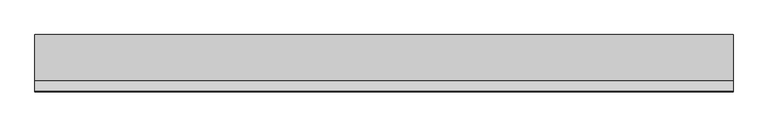
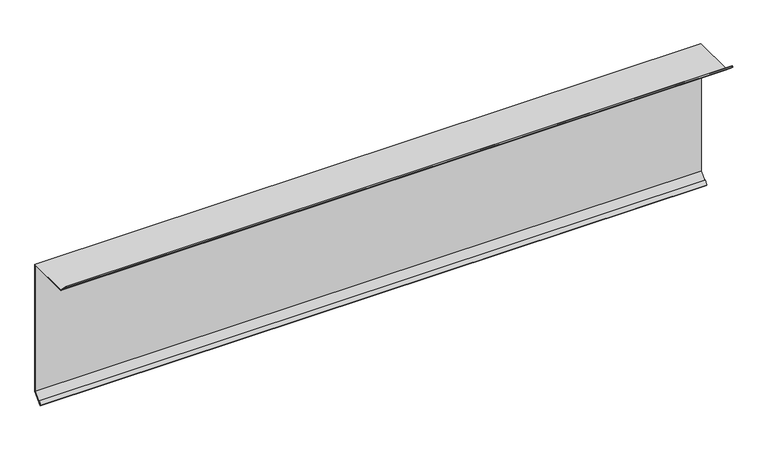
"""IFC4 building model written with IfcOpenShell, lengths in millimetres: proxy geometry."""

from ifc_helpers import new_model, si_unit, origin, place, context, project, spatial, faceted_brep, source, transform, mapped, element, save


def generic_models_a21d9fcc(model_context):
    return source(origin(), model_context, "Body", "Brep", [
        faceted_brep([(1500.0, 3.0, 0.0), (1500.0, 4.0, 0.0), (1500.0, 4.0, 3.0), (1500.0, -96.0, 3.0), (1500.0, -117.2132034, 24.2132034), (1500.0, -119.3345238, 22.0918831), (1500.0, -112.263456, 15.0208153), (1500.0, -111.5563492, 15.7279221), (1500.0, -117.9203102, 22.0918831), (1500.0, -117.2132034, 22.7989899), (1500.0, -96.4142136, 2.0), (1500.0, 3.0, 2.0), (1500.0, 3.0, -299.5857864), (1500.0, -17.2132034, -319.7989899), (1500.0, -17.9203102, -319.0918831), (1500.0, -11.5563492, -312.7279221), (1500.0, -12.263456, -312.0208153), (1500.0, -19.3345238, -319.0918831), (1500.0, -17.2132034, -321.2132034), (1500.0, 4.0, -300.0), (0.0, 4.0, 0.0), (0.0, 3.0, 0.0), (0.0, 3.0, 2.0), (0.0, -96.4142136, 2.0), (0.0, -117.2132034, 22.7989899), (0.0, -117.9203102, 22.0918831), (0.0, -111.5563492, 15.7279221), (0.0, -112.263456, 15.0208153), (0.0, -119.3345238, 22.0918831), (0.0, -117.2132034, 24.2132034), (0.0, -96.0, 3.0), (0.0, 4.0, 3.0), (0.0, 4.0, -300.0), (0.0, -17.2132034, -321.2132034), (0.0, -19.3345238, -319.0918831), (0.0, -12.263456, -312.0208153), (0.0, -11.5563492, -312.7279221), (0.0, -17.9203102, -319.0918831), (0.0, -17.2132034, -319.7989899), (0.0, 3.0, -299.5857864)], [[[0, 1, 2, 3, 4, 5, 6, 7, 8, 9, 10, 11]], [[1, 0, 12, 13, 14, 15, 16, 17, 18, 19]], [[20, 21, 22, 23, 24, 25, 26, 27, 28, 29, 30, 31]], [[21, 20, 32, 33, 34, 35, 36, 37, 38, 39]], [[4, 3, 30, 29]], [[3, 2, 31, 30]], [[11, 10, 23, 22]], [[10, 9, 24, 23]], [[9, 8, 25, 24]], [[8, 7, 26, 25]], [[7, 6, 27, 26]], [[6, 5, 28, 27]], [[5, 4, 29, 28]], [[2, 1, 19, 32, 20, 31]], [[19, 18, 33, 32]], [[18, 17, 34, 33]], [[17, 16, 35, 34]], [[16, 15, 36, 35]], [[15, 14, 37, 36]], [[14, 13, 38, 37]], [[13, 12, 39, 38]], [[0, 11, 22, 21, 39, 12]]]),
    ])


if __name__ == "__main__":
    model = new_model("IFC4")
    model_context = context("Model", 3, world=origin())
    ifc_project = project(units=[si_unit("LENGTHUNIT", "METRE", prefix="MILLI")], contexts=[model_context])
    site = spatial("IfcSite", under=ifc_project)
    building = spatial("IfcBuilding", under=site)
    placement = place(None, origin())
    generic_models_shape = generic_models_a21d9fcc(model_context)
    element("IfcBuildingElementProxy", 1, Name="Generic Models", at=placement, inside=building, context=model_context, shape_type="MappedRepresentation", body=[
        mapped(generic_models_shape, transform((0.0, 0.0, 0.0), x_axis=(1.0, 0.0, 0.0), y_axis=(0.0, 1.0, 0.0), z_axis=(0.0, 0.0, 1.0))),
    ])
    save(model, "model.ifc")
